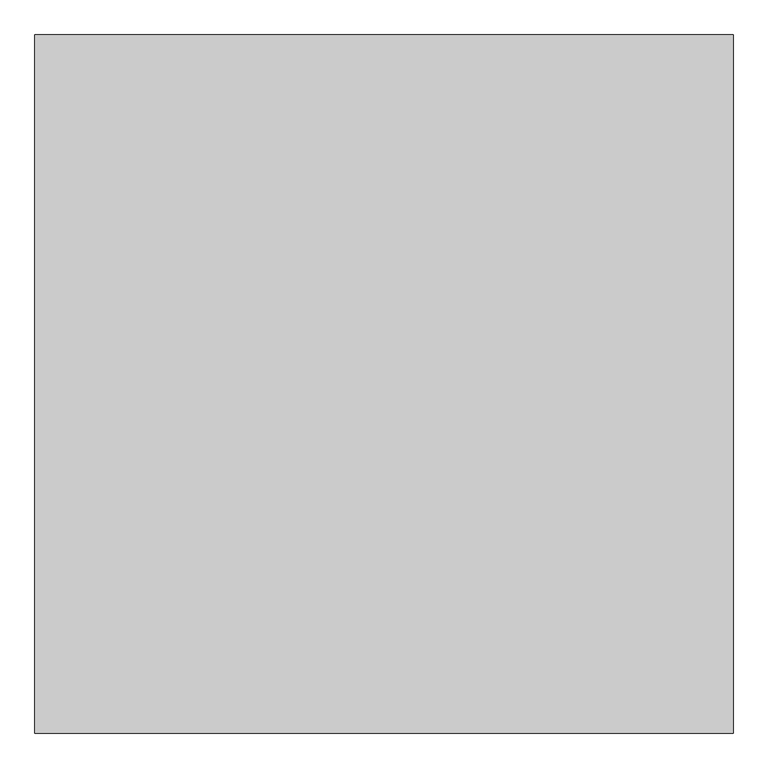
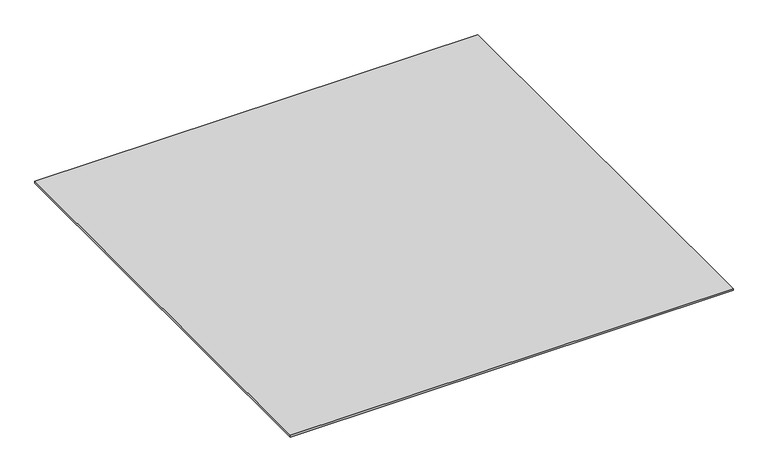
"""IFC4 building model written with IfcOpenShell, lengths in millimetres: proxy geometry."""

from ifc_helpers import new_model, si_unit, origin, origin_with_axes, place, context, project, spatial, polyline, outline, extrude, source, transform, mapped, element, save


def generic_models_e86e60fe(model_context):
    return source(origin(), model_context, "Body", "SweptSolid", [
        extrude(outline(polyline([(-16196.9237868, -32987.355679), (-16196.9237868, -33987.355679), (-17196.9237868, -33987.355679), (-17196.9237868, -32987.355679), (-16196.9237868, -32987.355679)])), origin_with_axes(), (0.0, 0.0, 1.0), 4.0),
    ])


if __name__ == "__main__":
    model = new_model("IFC4")
    model_context = context("Model", 3, world=origin())
    ifc_project = project(units=[si_unit("LENGTHUNIT", "METRE", prefix="MILLI")], contexts=[model_context])
    site = spatial("IfcSite", under=ifc_project)
    building = spatial("IfcBuilding", under=site)
    placement = place(None, origin())
    generic_models_shape = generic_models_e86e60fe(model_context)
    element("IfcBuildingElementProxy", 1, Name="Generic Models", at=placement, inside=building, context=model_context, shape_type="MappedRepresentation", body=[
        mapped(generic_models_shape, transform((0.0, 0.0, 0.0), x_axis=(1.0, 0.0, 0.0), y_axis=(0.0, 1.0, 0.0), z_axis=(0.0, 0.0, 1.0))),
    ])
    save(model, "model.ifc")
